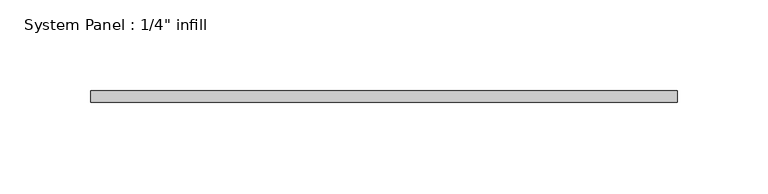
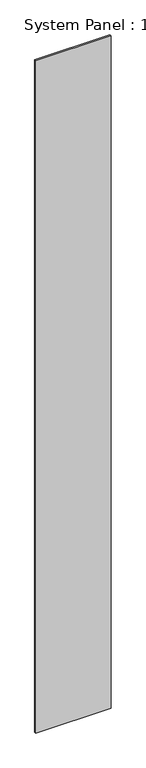
"""IFC4 building model written with IfcOpenShell, lengths in millimetres: plate geometry."""

import ifcopenshell
import ifcopenshell.guid

model = None  # the IFC model being written
_history = None  # IfcOwnerHistory: only IFC2X3 demands one
_inside = {}  # id of a spatial element -> (the spatial element, [elements in it])
_under = {}  # id of a project, library or spatial element -> (it, [spatial elements below it])
_declared = {}  # id of a project -> (the project, [libraries it declares])
_typed = {}  # id of a type object -> (the type object, [elements of that type])
_made_of = {}  # id of a material, layer set ... -> (it, [elements and type objects made of it])


def new_model(schema):
    """Start an empty IFC model of exactly this schema.

    Asked for "IFC4X3", IfcOpenShell would pick the latest addendum, in which some entities
    have other attributes; the version numbers below select the first issue.
    IFC2X3 requires an IfcOwnerHistory on every rooted entity: one is made here for all.
    """
    global model, _history
    if schema == "IFC4X3":
        model = ifcopenshell.file(schema_version=(4, 3, 0, 0))
    else:
        model = ifcopenshell.file(schema=schema)
    _inside.clear()
    _under.clear()
    _declared.clear()
    _typed.clear()
    _made_of.clear()
    _history = None
    if model.schema == "IFC2X3":
        org = make("IfcOrganization", Name="unknown")
        user = make(
            "IfcPersonAndOrganization",
            ThePerson=make("IfcPerson", FamilyName="unknown"),
            TheOrganization=org,
        )
        app = make(
            "IfcApplication",
            ApplicationDeveloper=org,
            Version="unknown",
            ApplicationFullName="unknown",
            ApplicationIdentifier="unknown",
        )
        _history = make(
            "IfcOwnerHistory",
            OwningUser=user,
            OwningApplication=app,
            ChangeAction="ADDED",
            CreationDate=0,
        )
    return model


def make(cls, **values):
    """One entity of the class cls with the attributes given. An attribute that is None is left unset."""
    return model.create_entity(
        cls, **{name: value for name, value in values.items() if value is not None}
    )


def rooted(cls, **values):
    """An entity with a GlobalId (a new one), such as an element, a storey or a relation."""
    return make(cls, GlobalId=ifcopenshell.guid.new(), OwnerHistory=_history, **values)


def si_unit(unit_type, name, prefix=None):
    """IfcSIUnit, for example si_unit("LENGTHUNIT", "METRE", prefix="MILLI")."""
    return make("IfcSIUnit", UnitType=unit_type, Prefix=prefix, Name=name)


def assignment(units):
    """IfcUnitAssignment: the units of a project."""
    return None if units is None else make("IfcUnitAssignment", Units=units)


def point(xyz):
    """IfcCartesianPoint."""
    return None if xyz is None else make("IfcCartesianPoint", Coordinates=xyz)


def direction(xyz):
    """IfcDirection."""
    return None if xyz is None else make("IfcDirection", DirectionRatios=xyz)


def frame(location, z_axis=None, x_axis=None):
    """IfcAxis2Placement3D, a coordinate frame: its origin and axes. An axis left out is left unset."""
    return make(
        "IfcAxis2Placement3D",
        Location=point(location),
        Axis=direction(z_axis),
        RefDirection=direction(x_axis),
    )


def origin():
    """The frame at (0, 0, 0) with its axes left unset."""
    return frame((0.0, 0.0, 0.0))


def origin_with_axes():
    """The frame at (0, 0, 0) with the z axis (0, 0, 1) and the x axis (1, 0, 0) written out."""
    return frame((0.0, 0.0, 0.0), z_axis=(0.0, 0.0, 1.0), x_axis=(1.0, 0.0, 0.0))


def place(relative_to, where):
    """IfcLocalPlacement: puts the frame where relative to a parent placement (None: the world)."""
    return make(
        "IfcLocalPlacement", PlacementRelTo=relative_to, RelativePlacement=where
    )


def context(
    kind, dimensions, precision=None, world=None, true_north=None, identifier=None
):
    """IfcGeometricRepresentationContext, for example the 3D "Model" context."""
    return make(
        "IfcGeometricRepresentationContext",
        ContextIdentifier=identifier,
        ContextType=kind,
        CoordinateSpaceDimension=dimensions,
        Precision=precision,
        WorldCoordinateSystem=world,
        TrueNorth=true_north,
    )


def project(units=None, contexts=None):
    """IfcProject with its units and contexts."""
    return rooted(
        "IfcProject",
        Name="project",
        RepresentationContexts=contexts,
        UnitsInContext=assignment(units),
    )


def spatial(cls, under=None, at=None, **own):
    """A site, building, storey or space (cls), placed at a placement, below another one or the project."""
    s = rooted(cls, ObjectPlacement=at, **own)
    if under is not None:
        _under.setdefault(under.id(), (under, []))[1].append(s)
    return s


def polyline(points):
    """IfcPolyline through the points."""
    return make("IfcPolyline", Points=[point(p) for p in points])


def outline(outer, holes=None, kind="AREA"):
    """IfcArbitraryClosedProfileDef: a profile drawn as a closed curve; with holes, ...WithVoids."""
    if holes is None:
        return make("IfcArbitraryClosedProfileDef", ProfileType=kind, OuterCurve=outer)
    return make(
        "IfcArbitraryProfileDefWithVoids",
        ProfileType=kind,
        OuterCurve=outer,
        InnerCurves=holes,
    )


def extrude(swept, where, along, depth):
    """IfcExtrudedAreaSolid: the profile swept, set in the frame where, extruded along a direction by depth."""
    return make(
        "IfcExtrudedAreaSolid",
        SweptArea=swept,
        Position=where,
        ExtrudedDirection=direction(along),
        Depth=depth,
    )


def shape(context_of_items, identifier, shape_type, items):
    """IfcShapeRepresentation: the items that make up one representation, for example the "Body"."""
    return make(
        "IfcShapeRepresentation",
        ContextOfItems=context_of_items,
        RepresentationIdentifier=identifier,
        RepresentationType=shape_type,
        Items=items,
    )


def source(mapping_origin, context_of_items, identifier, shape_type, items):
    """IfcRepresentationMap: a shape defined once, which mapped items show again and again."""
    return make(
        "IfcRepresentationMap",
        MappingOrigin=mapping_origin,
        MappedRepresentation=shape(context_of_items, identifier, shape_type, items),
    )


def transform(
    local_origin,
    x_axis=None,
    y_axis=None,
    z_axis=None,
    scale=None,
    scale2=None,
    scale3=None,
    uniform=True,
):
    """IfcCartesianTransformationOperator3D, or its non-uniform kind. x_axis, y_axis, z_axis: its Axis1, 2, 3."""
    if uniform:
        return make(
            "IfcCartesianTransformationOperator3D",
            Axis1=direction(x_axis),
            Axis2=direction(y_axis),
            LocalOrigin=point(local_origin),
            Scale=scale,
            Axis3=direction(z_axis),
        )
    return make(
        "IfcCartesianTransformationOperator3DnonUniform",
        Axis1=direction(x_axis),
        Axis2=direction(y_axis),
        LocalOrigin=point(local_origin),
        Scale=scale,
        Axis3=direction(z_axis),
        Scale2=scale2,
        Scale3=scale3,
    )


def mapped(mapping_source, mapping_target):
    """IfcMappedItem: shows the shape of a source again, moved by a transform."""
    return make(
        "IfcMappedItem", MappingSource=mapping_source, MappingTarget=mapping_target
    )


def made_of(thing, what):
    """Note that an element or type object is made of a material, layer set ...; save() writes the relation."""
    if what is not None:
        _made_of.setdefault(what.id(), (what, []))[1].append(thing)
    return thing


def element(
    cls,
    number,
    at=None,
    inside=None,
    cuts=None,
    type_object=None,
    material=None,
    context=None,
    identifier="Body",
    shape_type=None,
    held_by="IfcProductDefinitionShape",
    body=None,
    shapes=None,
    **own,
):
    """One element of the class cls, such as IfcWall. Its Tag is "e" and its number.

    at: its placement. inside: the storey or other place that contains it. cuts: it is an
    opening in that element (IfcRelVoidsElement). A single representation is given by context,
    identifier, shape_type and body (its items); several are given by shapes. held_by: the class
    of the entity that holds the representations. save() writes the other relations.
    """
    e = rooted(cls, Tag="e%d" % number, ObjectPlacement=at, **own)
    if body is not None:
        shapes = [shape(context, identifier, shape_type, body)]
    if shapes is not None:
        e.Representation = make(held_by, Representations=shapes)
    if inside is not None:
        _inside.setdefault(inside.id(), (inside, []))[1].append(e)
    if cuts is not None:
        rooted(
            "IfcRelVoidsElement", RelatingBuildingElement=cuts, RelatedOpeningElement=e
        )
    if type_object is not None:
        _typed.setdefault(type_object.id(), (type_object, []))[1].append(e)
    return made_of(e, material)


def aggregate(whole, parts):
    """IfcRelAggregates: a whole, such as a stair, and the parts it consists of."""
    return rooted("IfcRelAggregates", RelatingObject=whole, RelatedObjects=parts)


def save(model, path):
    """Write the relations noted so far, then the file.

    IfcRelAggregates (storeys below a building ...), IfcRelContainedInSpatialStructure (elements
    in a storey), IfcRelDefinesByType, IfcRelAssociatesMaterial and IfcRelDeclares: one each for
    every whole, place, type object, material and project.
    """
    for whole, parts in _under.values():
        aggregate(whole, parts)
    for where, things in _inside.values():
        rooted(
            "IfcRelContainedInSpatialStructure",
            RelatedElements=things,
            RelatingStructure=where,
        )
    for kind, things in _typed.values():
        rooted("IfcRelDefinesByType", RelatedObjects=things, RelatingType=kind)
    for what, things in _made_of.values():
        rooted("IfcRelAssociatesMaterial", RelatedObjects=things, RelatingMaterial=what)
    for by, libraries in _declared.values():
        rooted("IfcRelDeclares", RelatingContext=by, RelatedDefinitions=libraries)
    model.write(path)


def plate_773cfa32(model_context):
    return source(origin(), model_context, "Body", "SweptSolid", [
        extrude(outline(polyline([(161.8365598, 0.0), (-161.8365598, 0.0), (-161.8365598, 6.35), (161.8365598, 6.35), (161.8365598, 0.0)])), origin_with_axes(), (0.0, 0.0, 1.0), 3048.0),
    ])


if __name__ == "__main__":
    model = new_model("IFC4")
    model_context = context("Model", 3, world=origin())
    ifc_project = project(units=[si_unit("LENGTHUNIT", "METRE", prefix="MILLI")], contexts=[model_context])
    site = spatial("IfcSite", under=ifc_project)
    building = spatial("IfcBuilding", under=site)
    placement = place(None, origin())
    plate_shape = plate_773cfa32(model_context)
    element("IfcPlate", 1, ObjectType="System Panel : 1/4\" infill", at=placement, inside=building, context=model_context, shape_type="MappedRepresentation", body=[
        mapped(plate_shape, transform((0.0, 0.0, 0.0), x_axis=(1.0, 0.0, 0.0), y_axis=(0.0, 1.0, 0.0), z_axis=(0.0, 0.0, 1.0))),
    ])
    save(model, "model.ifc")
